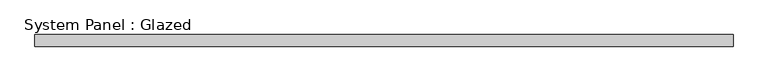
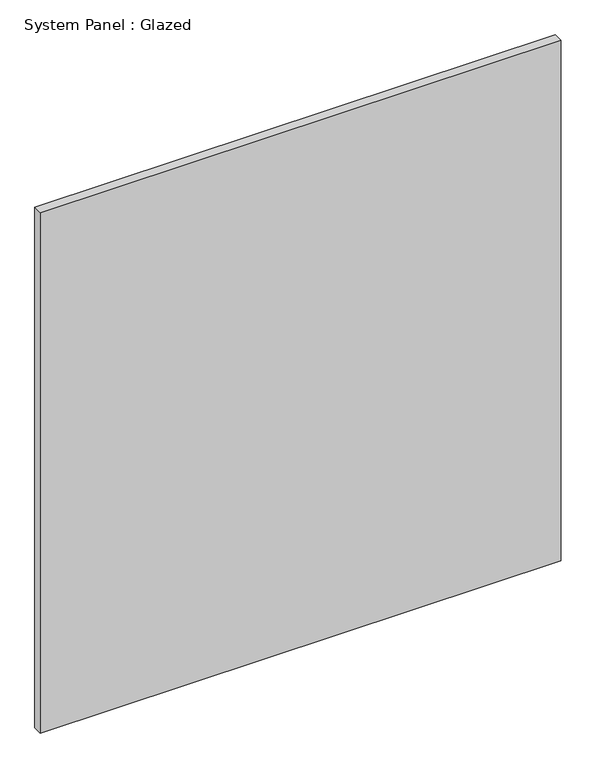
"""IFC4 building model written with IfcOpenShell, lengths in millimetres: plate geometry, System Panel : Glazed."""

import ifcopenshell
import ifcopenshell.guid

model = None  # the IFC model being written
_history = None  # IfcOwnerHistory: only IFC2X3 demands one
_inside = {}  # id of a spatial element -> (the spatial element, [elements in it])
_under = {}  # id of a project, library or spatial element -> (it, [spatial elements below it])
_declared = {}  # id of a project -> (the project, [libraries it declares])
_typed = {}  # id of a type object -> (the type object, [elements of that type])
_made_of = {}  # id of a material, layer set ... -> (it, [elements and type objects made of it])


def new_model(schema):
    """Start an empty IFC model of exactly this schema.

    Asked for "IFC4X3", IfcOpenShell would pick the latest addendum, in which some entities
    have other attributes; the version numbers below select the first issue.
    IFC2X3 requires an IfcOwnerHistory on every rooted entity: one is made here for all.
    """
    global model, _history
    if schema == "IFC4X3":
        model = ifcopenshell.file(schema_version=(4, 3, 0, 0))
    else:
        model = ifcopenshell.file(schema=schema)
    _inside.clear()
    _under.clear()
    _declared.clear()
    _typed.clear()
    _made_of.clear()
    _history = None
    if model.schema == "IFC2X3":
        org = make("IfcOrganization", Name="unknown")
        user = make(
            "IfcPersonAndOrganization",
            ThePerson=make("IfcPerson", FamilyName="unknown"),
            TheOrganization=org,
        )
        app = make(
            "IfcApplication",
            ApplicationDeveloper=org,
            Version="unknown",
            ApplicationFullName="unknown",
            ApplicationIdentifier="unknown",
        )
        _history = make(
            "IfcOwnerHistory",
            OwningUser=user,
            OwningApplication=app,
            ChangeAction="ADDED",
            CreationDate=0,
        )
    return model


def make(cls, **values):
    """One entity of the class cls with the attributes given. An attribute that is None is left unset."""
    return model.create_entity(
        cls, **{name: value for name, value in values.items() if value is not None}
    )


def rooted(cls, **values):
    """An entity with a GlobalId (a new one), such as an element, a storey or a relation."""
    return make(cls, GlobalId=ifcopenshell.guid.new(), OwnerHistory=_history, **values)


def si_unit(unit_type, name, prefix=None):
    """IfcSIUnit, for example si_unit("LENGTHUNIT", "METRE", prefix="MILLI")."""
    return make("IfcSIUnit", UnitType=unit_type, Prefix=prefix, Name=name)


def assignment(units):
    """IfcUnitAssignment: the units of a project."""
    return None if units is None else make("IfcUnitAssignment", Units=units)


def point(xyz):
    """IfcCartesianPoint."""
    return None if xyz is None else make("IfcCartesianPoint", Coordinates=xyz)


def direction(xyz):
    """IfcDirection."""
    return None if xyz is None else make("IfcDirection", DirectionRatios=xyz)


def frame(location, z_axis=None, x_axis=None):
    """IfcAxis2Placement3D, a coordinate frame: its origin and axes. An axis left out is left unset."""
    return make(
        "IfcAxis2Placement3D",
        Location=point(location),
        Axis=direction(z_axis),
        RefDirection=direction(x_axis),
    )


def origin():
    """The frame at (0, 0, 0) with its axes left unset."""
    return frame((0.0, 0.0, 0.0))


def origin_with_axes():
    """The frame at (0, 0, 0) with the z axis (0, 0, 1) and the x axis (1, 0, 0) written out."""
    return frame((0.0, 0.0, 0.0), z_axis=(0.0, 0.0, 1.0), x_axis=(1.0, 0.0, 0.0))


def place(relative_to, where):
    """IfcLocalPlacement: puts the frame where relative to a parent placement (None: the world)."""
    return make(
        "IfcLocalPlacement", PlacementRelTo=relative_to, RelativePlacement=where
    )


def context(
    kind, dimensions, precision=None, world=None, true_north=None, identifier=None
):
    """IfcGeometricRepresentationContext, for example the 3D "Model" context."""
    return make(
        "IfcGeometricRepresentationContext",
        ContextIdentifier=identifier,
        ContextType=kind,
        CoordinateSpaceDimension=dimensions,
        Precision=precision,
        WorldCoordinateSystem=world,
        TrueNorth=true_north,
    )


def project(units=None, contexts=None):
    """IfcProject with its units and contexts."""
    return rooted(
        "IfcProject",
        Name="project",
        RepresentationContexts=contexts,
        UnitsInContext=assignment(units),
    )


def spatial(cls, under=None, at=None, **own):
    """A site, building, storey or space (cls), placed at a placement, below another one or the project."""
    s = rooted(cls, ObjectPlacement=at, **own)
    if under is not None:
        _under.setdefault(under.id(), (under, []))[1].append(s)
    return s


def polyline(points):
    """IfcPolyline through the points."""
    return make("IfcPolyline", Points=[point(p) for p in points])


def outline(outer, holes=None, kind="AREA"):
    """IfcArbitraryClosedProfileDef: a profile drawn as a closed curve; with holes, ...WithVoids."""
    if holes is None:
        return make("IfcArbitraryClosedProfileDef", ProfileType=kind, OuterCurve=outer)
    return make(
        "IfcArbitraryProfileDefWithVoids",
        ProfileType=kind,
        OuterCurve=outer,
        InnerCurves=holes,
    )


def extrude(swept, where, along, depth):
    """IfcExtrudedAreaSolid: the profile swept, set in the frame where, extruded along a direction by depth."""
    return make(
        "IfcExtrudedAreaSolid",
        SweptArea=swept,
        Position=where,
        ExtrudedDirection=direction(along),
        Depth=depth,
    )


def shape(context_of_items, identifier, shape_type, items):
    """IfcShapeRepresentation: the items that make up one representation, for example the "Body"."""
    return make(
        "IfcShapeRepresentation",
        ContextOfItems=context_of_items,
        RepresentationIdentifier=identifier,
        RepresentationType=shape_type,
        Items=items,
    )


def source(mapping_origin, context_of_items, identifier, shape_type, items):
    """IfcRepresentationMap: a shape defined once, which mapped items show again and again."""
    return make(
        "IfcRepresentationMap",
        MappingOrigin=mapping_origin,
        MappedRepresentation=shape(context_of_items, identifier, shape_type, items),
    )


def transform(
    local_origin,
    x_axis=None,
    y_axis=None,
    z_axis=None,
    scale=None,
    scale2=None,
    scale3=None,
    uniform=True,
):
    """IfcCartesianTransformationOperator3D, or its non-uniform kind. x_axis, y_axis, z_axis: its Axis1, 2, 3."""
    if uniform:
        return make(
            "IfcCartesianTransformationOperator3D",
            Axis1=direction(x_axis),
            Axis2=direction(y_axis),
            LocalOrigin=point(local_origin),
            Scale=scale,
            Axis3=direction(z_axis),
        )
    return make(
        "IfcCartesianTransformationOperator3DnonUniform",
        Axis1=direction(x_axis),
        Axis2=direction(y_axis),
        LocalOrigin=point(local_origin),
        Scale=scale,
        Axis3=direction(z_axis),
        Scale2=scale2,
        Scale3=scale3,
    )


def mapped(mapping_source, mapping_target):
    """IfcMappedItem: shows the shape of a source again, moved by a transform."""
    return make(
        "IfcMappedItem", MappingSource=mapping_source, MappingTarget=mapping_target
    )


def made_of(thing, what):
    """Note that an element or type object is made of a material, layer set ...; save() writes the relation."""
    if what is not None:
        _made_of.setdefault(what.id(), (what, []))[1].append(thing)
    return thing


def element(
    cls,
    number,
    at=None,
    inside=None,
    cuts=None,
    type_object=None,
    material=None,
    context=None,
    identifier="Body",
    shape_type=None,
    held_by="IfcProductDefinitionShape",
    body=None,
    shapes=None,
    **own,
):
    """One element of the class cls, such as IfcWall. Its Tag is "e" and its number.

    at: its placement. inside: the storey or other place that contains it. cuts: it is an
    opening in that element (IfcRelVoidsElement). A single representation is given by context,
    identifier, shape_type and body (its items); several are given by shapes. held_by: the class
    of the entity that holds the representations. save() writes the other relations.
    """
    e = rooted(cls, Tag="e%d" % number, ObjectPlacement=at, **own)
    if body is not None:
        shapes = [shape(context, identifier, shape_type, body)]
    if shapes is not None:
        e.Representation = make(held_by, Representations=shapes)
    if inside is not None:
        _inside.setdefault(inside.id(), (inside, []))[1].append(e)
    if cuts is not None:
        rooted(
            "IfcRelVoidsElement", RelatingBuildingElement=cuts, RelatedOpeningElement=e
        )
    if type_object is not None:
        _typed.setdefault(type_object.id(), (type_object, []))[1].append(e)
    return made_of(e, material)


def aggregate(whole, parts):
    """IfcRelAggregates: a whole, such as a stair, and the parts it consists of."""
    return rooted("IfcRelAggregates", RelatingObject=whole, RelatedObjects=parts)


def save(model, path):
    """Write the relations noted so far, then the file.

    IfcRelAggregates (storeys below a building ...), IfcRelContainedInSpatialStructure (elements
    in a storey), IfcRelDefinesByType, IfcRelAssociatesMaterial and IfcRelDeclares: one each for
    every whole, place, type object, material and project.
    """
    for whole, parts in _under.values():
        aggregate(whole, parts)
    for where, things in _inside.values():
        rooted(
            "IfcRelContainedInSpatialStructure",
            RelatedElements=things,
            RelatingStructure=where,
        )
    for kind, things in _typed.values():
        rooted("IfcRelDefinesByType", RelatedObjects=things, RelatingType=kind)
    for what, things in _made_of.values():
        rooted("IfcRelAssociatesMaterial", RelatedObjects=things, RelatingMaterial=what)
    for by, libraries in _declared.values():
        rooted("IfcRelDeclares", RelatingContext=by, RelatedDefinitions=libraries)
    model.write(path)


def system_panel_glazed_016d3a69(model_context):
    return source(origin(), model_context, "Body", "SweptSolid", [
        extrude(outline(polyline([(721.9468374, 24.5), (-721.9468374, 24.5), (-721.9468374, 49.5), (721.9468374, 49.5), (721.9468374, 24.5)])), origin_with_axes(), (0.0, 0.0, 1.0), 1525.0),
    ])


if __name__ == "__main__":
    model = new_model("IFC4")
    model_context = context("Model", 3, world=origin())
    ifc_project = project(units=[si_unit("LENGTHUNIT", "METRE", prefix="MILLI")], contexts=[model_context])
    site = spatial("IfcSite", under=ifc_project)
    building = spatial("IfcBuilding", under=site)
    placement = place(None, origin())
    system_panel_glazed_shape = system_panel_glazed_016d3a69(model_context)
    element("IfcPlate", 1, ObjectType="System Panel : Glazed", at=placement, inside=building, context=model_context, shape_type="MappedRepresentation", body=[
        mapped(system_panel_glazed_shape, transform((0.0, 0.0, 0.0), x_axis=(1.0, 0.0, 0.0), y_axis=(0.0, 1.0, 0.0), z_axis=(0.0, 0.0, 1.0))),
    ])
    save(model, "model.ifc")
